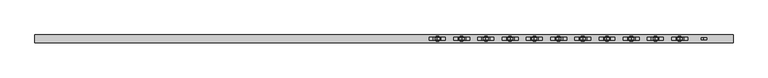
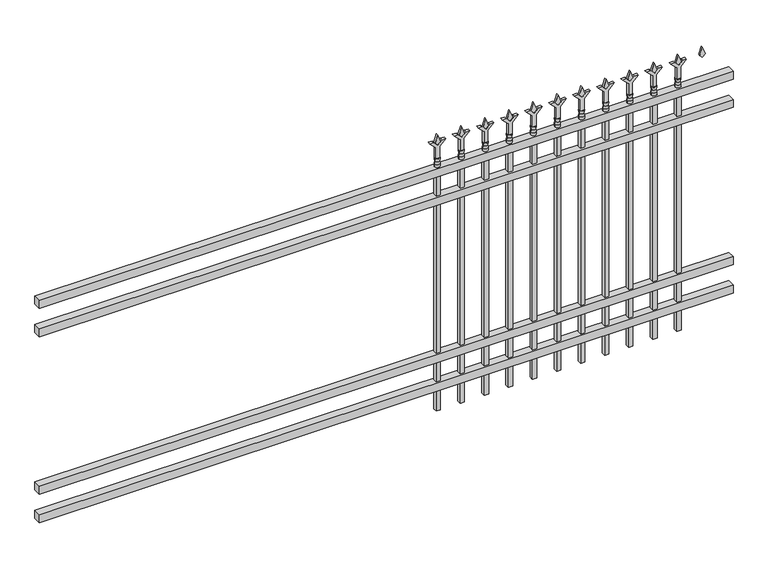
"""IFC4 building model written with IfcOpenShell, lengths in millimetres: railing geometry."""

from ifc_helpers import new_model, si_unit, frame, origin, place, context, project, spatial, polyline, circle_curve, outline, extrude, source, transform, mapped, element, save
from ifc_brep_helpers import plane_surface, cylinder_surface, revolved_surface, advanced_brep


def railing_56d29c50(model_context):
    return source(origin(), model_context, "Body", "SolidModel", [
        extrude(outline(polyline([(-73537.318087, -9187.1195174), (-73537.318087, -9152.1945174), (-70387.718087, -9152.1945174), (-70387.718087, -9187.1195174), (-73537.318087, -9187.1195174)])), frame((0.0, 0.0, 1181.1), z_axis=(0.0, 0.0, 1.0), x_axis=(1.0, 0.0, 0.0)), (0.0, 0.0, 1.0), 38.1),
        extrude(outline(polyline([(-73537.318087, -9187.1195174), (-73537.318087, -9152.1945174), (-70387.718087, -9152.1945174), (-70387.718087, -9187.1195174), (-73537.318087, -9187.1195174)])), frame((0.0, 0.0, 1044.575), z_axis=(0.0, 0.0, 1.0), x_axis=(1.0, 0.0, 0.0)), (0.0, 0.0, 1.0), 38.1),
        extrude(outline(polyline([(-73537.318087, -9187.1195174), (-73537.318087, -9152.1945174), (-70387.718087, -9152.1945174), (-70387.718087, -9187.1195174), (-73537.318087, -9187.1195174)])), frame((0.0, 0.0, 288.925), z_axis=(0.0, 0.0, 1.0), x_axis=(1.0, 0.0, 0.0)), (0.0, 0.0, 1.0), 38.1),
        extrude(outline(polyline([(-73537.318087, -9187.1195174), (-73537.318087, -9152.1945174), (-70387.718087, -9152.1945174), (-70387.718087, -9187.1195174), (-73537.318087, -9187.1195174)])), frame((0.0, 0.0, 152.4), z_axis=(0.0, 0.0, 1.0), x_axis=(1.0, 0.0, 0.0)), (0.0, 0.0, 1.0), 38.1),
        extrude(outline(polyline([(1335.88125, -70616.8472536), (1371.6, -70628.7535036), (1335.88125, -70640.6597536), (1323.975, -70628.7535036), (1335.88125, -70616.8472536)])), frame((0.0, -9174.4195174, 0.0), z_axis=(0.0, 1.0, 0.0), x_axis=(0.0, 0.0, 1.0)), (0.0, 0.0, 1.0), 9.525),
        extrude(outline(polyline([(1260.475, -70620.0222536), (1314.7457378, -70620.0222536), (1341.9355122, -70592.8324791), (1341.9355122, -70610.7929914), (1323.975, -70628.7535036), (1341.9355122, -70646.7140159), (1341.9355122, -70664.6745281), (1314.7457378, -70637.4847536), (1260.475, -70637.4847536), (1260.475, -70620.0222536)])), frame((0.0, -9176.0070174, 0.0), z_axis=(0.0, 1.0, 0.0), x_axis=(0.0, 0.0, 1.0)), (0.0, 0.0, 1.0), 12.7),
        advanced_brep(
        [(-70616.8472536, -9169.6570174, 1231.9), (-70640.6597536, -9169.6570174, 1231.9), (-70640.6597536, -9169.6570174, 1219.2), (-70616.8472536, -9169.6570174, 1219.2), (-70619.0525855, -9169.6570174, 1244.4070585), (-70638.4544218, -9169.6570174, 1244.4070585), (-70616.8472536, -9169.6570174, 1260.475), (-70640.6597536, -9169.6570174, 1260.475), (-70628.7535036, -9169.6570174, 1260.475), (-70628.7535036, -9169.6570174, 1219.2)],
        [
            (0, 1, circle_curve(frame((-70628.7535036, -9169.6570174, 1231.9), z_axis=(0.0, 0.0, -1.0), x_axis=(-1.0, 0.0, 0.0)), 11.90625)),
            (1, 2),
            (2, 3, circle_curve(frame((-70628.7535036, -9169.6570174, 1219.2), z_axis=(0.0, 0.0, 1.0), x_axis=(-1.0, 0.0, 0.0)), 11.90625)),
            (3, 0),
            (1, 0, circle_curve(frame((-70628.7535036, -9169.6570174, 1231.9), z_axis=(0.0, 0.0, -1.0), x_axis=(-1.0, 0.0, 0.0)), 11.90625)),
            (3, 2, circle_curve(frame((-70628.7535036, -9169.6570174, 1219.2), z_axis=(0.0, 0.0, 1.0), x_axis=(-1.0, 0.0, 0.0)), 11.90625)),
            (4, 5, circle_curve(frame((-70628.7535036, -9169.6570174, 1244.4070585), z_axis=(0.0, 0.0, -1.0), x_axis=(-1.0, 0.0, 0.0)), 9.7009181)),
            (5, 1),
            (0, 4),
            (5, 4, circle_curve(frame((-70628.7535036, -9169.6570174, 1244.4070585), z_axis=(0.0, 0.0, -1.0), x_axis=(-1.0, 0.0, 0.0)), 9.7009181)),
            (6, 7, circle_curve(frame((-70628.7535036, -9169.6570174, 1260.475), z_axis=(0.0, 0.0, -1.0), x_axis=(-1.0, 0.0, 0.0)), 11.90625)),
            (7, 5),
            (4, 6),
            (7, 6, circle_curve(frame((-70628.7535036, -9169.6570174, 1260.475), z_axis=(0.0, 0.0, -1.0), x_axis=(-1.0, 0.0, 0.0)), 11.90625)),
            (8, 7),
            (6, 8),
            (2, 9),
            (9, 3),
        ],
        [
            cylinder_surface(frame((-70628.7535036, -9169.6570174, 1219.2), z_axis=(0.0, 0.0, 1.0), x_axis=(-1.0, 0.0, 0.0)), 11.90625),
            revolved_surface(polyline([(-70640.6597536, -9169.6570174, 1231.9), (-70638.4544218, -9169.6570174, 1244.4070585)]), (-70628.7535036, -9169.6570174, 1219.2), (0.0, 0.0, 1.0)),
            revolved_surface(polyline([(-70638.4544218, -9169.6570174, 1244.4070585), (-70640.6597536, -9169.6570174, 1260.475)]), (-70628.7535036, -9169.6570174, 1219.2), (0.0, 0.0, 1.0)),
            plane_surface(frame((-70628.7535036, -9169.6570174, 1260.475), z_axis=(0.0, 0.0, 1.0), x_axis=(-1.0, 0.0, 0.0))),
            plane_surface(frame((-70628.7535036, -9169.6570174, 1219.2), z_axis=(0.0, 0.0, -1.0), x_axis=(-1.0, 0.0, 0.0))),
        ],
        [
            (0, [[1, 2, 3, 4]]),
            (0, [[5, -4, 6, -2]]),
            (1, [[7, 8, -1, 9]]),
            (1, [[10, -9, -5, -8]]),
            (2, [[11, 12, -7, 13]]),
            (2, [[14, -13, -10, -12]]),
            (3, [[15, -11, 16]]),
            (3, [[-16, -14, -15]]),
            (4, [[-3, 17, 18]]),
            (4, [[-6, -18, -17]]),
        ],
    ),
        extrude(outline(polyline([(-70638.2785036, -9160.1320174), (-70619.2285036, -9160.1320174), (-70619.2285036, -9179.1820174), (-70638.2785036, -9179.1820174), (-70638.2785036, -9160.1320174)])), frame((0.0, 0.0, 50.8), z_axis=(0.0, 0.0, 1.0), x_axis=(1.0, 0.0, 0.0)), (0.0, 0.0, 1.0), 1168.4),
        extrude(outline(polyline([(1335.88125, -70726.1201703), (1371.6, -70738.0264203), (1335.88125, -70749.9326703), (1323.975, -70738.0264203), (1335.88125, -70726.1201703)])), frame((0.0, -9174.4195174, 0.0), z_axis=(0.0, 1.0, 0.0), x_axis=(0.0, 0.0, 1.0)), (0.0, 0.0, 1.0), 9.525),
        extrude(outline(polyline([(1260.475, -70729.2951703), (1314.7457378, -70729.2951703), (1341.9355122, -70702.1053958), (1341.9355122, -70720.0659081), (1323.975, -70738.0264203), (1341.9355122, -70755.9869325), (1341.9355122, -70773.9474448), (1314.7457378, -70746.7576703), (1260.475, -70746.7576703), (1260.475, -70729.2951703)])), frame((0.0, -9176.0070174, 0.0), z_axis=(0.0, 1.0, 0.0), x_axis=(0.0, 0.0, 1.0)), (0.0, 0.0, 1.0), 12.7),
        advanced_brep(
        [(-70726.1201703, -9169.6570174, 1231.9), (-70749.9326703, -9169.6570174, 1231.9), (-70749.9326703, -9169.6570174, 1219.2), (-70726.1201703, -9169.6570174, 1219.2), (-70728.3255022, -9169.6570174, 1244.4070585), (-70747.7273384, -9169.6570174, 1244.4070585), (-70726.1201703, -9169.6570174, 1260.475), (-70749.9326703, -9169.6570174, 1260.475), (-70738.0264203, -9169.6570174, 1260.475), (-70738.0264203, -9169.6570174, 1219.2)],
        [
            (0, 1, circle_curve(frame((-70738.0264203, -9169.6570174, 1231.9), z_axis=(0.0, 0.0, -1.0), x_axis=(-1.0, 0.0, 0.0)), 11.90625)),
            (1, 2),
            (2, 3, circle_curve(frame((-70738.0264203, -9169.6570174, 1219.2), z_axis=(0.0, 0.0, 1.0), x_axis=(-1.0, 0.0, 0.0)), 11.90625)),
            (3, 0),
            (1, 0, circle_curve(frame((-70738.0264203, -9169.6570174, 1231.9), z_axis=(0.0, 0.0, -1.0), x_axis=(-1.0, 0.0, 0.0)), 11.90625)),
            (3, 2, circle_curve(frame((-70738.0264203, -9169.6570174, 1219.2), z_axis=(0.0, 0.0, 1.0), x_axis=(-1.0, 0.0, 0.0)), 11.90625)),
            (4, 5, circle_curve(frame((-70738.0264203, -9169.6570174, 1244.4070585), z_axis=(0.0, 0.0, -1.0), x_axis=(-1.0, 0.0, 0.0)), 9.7009181)),
            (5, 1),
            (0, 4),
            (5, 4, circle_curve(frame((-70738.0264203, -9169.6570174, 1244.4070585), z_axis=(0.0, 0.0, -1.0), x_axis=(-1.0, 0.0, 0.0)), 9.7009181)),
            (6, 7, circle_curve(frame((-70738.0264203, -9169.6570174, 1260.475), z_axis=(0.0, 0.0, -1.0), x_axis=(-1.0, 0.0, 0.0)), 11.90625)),
            (7, 5),
            (4, 6),
            (7, 6, circle_curve(frame((-70738.0264203, -9169.6570174, 1260.475), z_axis=(0.0, 0.0, -1.0), x_axis=(-1.0, 0.0, 0.0)), 11.90625)),
            (8, 7),
            (6, 8),
            (2, 9),
            (9, 3),
        ],
        [
            cylinder_surface(frame((-70738.0264203, -9169.6570174, 1219.2), z_axis=(0.0, 0.0, 1.0), x_axis=(-1.0, 0.0, 0.0)), 11.90625),
            revolved_surface(polyline([(-70749.9326703, -9169.6570174, 1231.9), (-70747.7273384, -9169.6570174, 1244.4070585)]), (-70738.0264203, -9169.6570174, 1219.2), (0.0, 0.0, 1.0)),
            revolved_surface(polyline([(-70747.7273384, -9169.6570174, 1244.4070585), (-70749.9326703, -9169.6570174, 1260.475)]), (-70738.0264203, -9169.6570174, 1219.2), (0.0, 0.0, 1.0)),
            plane_surface(frame((-70738.0264203, -9169.6570174, 1260.475), z_axis=(0.0, 0.0, 1.0), x_axis=(-1.0, 0.0, 0.0))),
            plane_surface(frame((-70738.0264203, -9169.6570174, 1219.2), z_axis=(0.0, 0.0, -1.0), x_axis=(-1.0, 0.0, 0.0))),
        ],
        [
            (0, [[1, 2, 3, 4]]),
            (0, [[5, -4, 6, -2]]),
            (1, [[7, 8, -1, 9]]),
            (1, [[10, -9, -5, -8]]),
            (2, [[11, 12, -7, 13]]),
            (2, [[14, -13, -10, -12]]),
            (3, [[15, -11, 16]]),
            (3, [[-16, -14, -15]]),
            (4, [[-3, 17, 18]]),
            (4, [[-6, -18, -17]]),
        ],
    ),
        extrude(outline(polyline([(-70747.5514203, -9160.1320174), (-70728.5014203, -9160.1320174), (-70728.5014203, -9179.1820174), (-70747.5514203, -9179.1820174), (-70747.5514203, -9160.1320174)])), frame((0.0, 0.0, 50.8), z_axis=(0.0, 0.0, 1.0), x_axis=(1.0, 0.0, 0.0)), (0.0, 0.0, 1.0), 1168.4),
        extrude(outline(polyline([(1335.88125, -70835.393087), (1371.6, -70847.299337), (1335.88125, -70859.205587), (1323.975, -70847.299337), (1335.88125, -70835.393087)])), frame((0.0, -9174.4195174, 0.0), z_axis=(0.0, 1.0, 0.0), x_axis=(0.0, 0.0, 1.0)), (0.0, 0.0, 1.0), 9.525),
        extrude(outline(polyline([(1260.475, -70838.568087), (1314.7457378, -70838.568087), (1341.9355122, -70811.3783125), (1341.9355122, -70829.3388247), (1323.975, -70847.299337), (1341.9355122, -70865.2598492), (1341.9355122, -70883.2203614), (1314.7457378, -70856.030587), (1260.475, -70856.030587), (1260.475, -70838.568087)])), frame((0.0, -9176.0070174, 0.0), z_axis=(0.0, 1.0, 0.0), x_axis=(0.0, 0.0, 1.0)), (0.0, 0.0, 1.0), 12.7),
        advanced_brep(
        [(-70835.393087, -9169.6570174, 1231.9), (-70859.205587, -9169.6570174, 1231.9), (-70859.205587, -9169.6570174, 1219.2), (-70835.393087, -9169.6570174, 1219.2), (-70837.5984188, -9169.6570174, 1244.4070585), (-70857.0002551, -9169.6570174, 1244.4070585), (-70835.393087, -9169.6570174, 1260.475), (-70859.205587, -9169.6570174, 1260.475), (-70847.299337, -9169.6570174, 1260.475), (-70847.299337, -9169.6570174, 1219.2)],
        [
            (0, 1, circle_curve(frame((-70847.299337, -9169.6570174, 1231.9), z_axis=(0.0, 0.0, -1.0), x_axis=(-1.0, 0.0, 0.0)), 11.90625)),
            (1, 2),
            (2, 3, circle_curve(frame((-70847.299337, -9169.6570174, 1219.2), z_axis=(0.0, 0.0, 1.0), x_axis=(-1.0, 0.0, 0.0)), 11.90625)),
            (3, 0),
            (1, 0, circle_curve(frame((-70847.299337, -9169.6570174, 1231.9), z_axis=(0.0, 0.0, -1.0), x_axis=(-1.0, 0.0, 0.0)), 11.90625)),
            (3, 2, circle_curve(frame((-70847.299337, -9169.6570174, 1219.2), z_axis=(0.0, 0.0, 1.0), x_axis=(-1.0, 0.0, 0.0)), 11.90625)),
            (4, 5, circle_curve(frame((-70847.299337, -9169.6570174, 1244.4070585), z_axis=(0.0, 0.0, -1.0), x_axis=(-1.0, 0.0, 0.0)), 9.7009181)),
            (5, 1),
            (0, 4),
            (5, 4, circle_curve(frame((-70847.299337, -9169.6570174, 1244.4070585), z_axis=(0.0, 0.0, -1.0), x_axis=(-1.0, 0.0, 0.0)), 9.7009181)),
            (6, 7, circle_curve(frame((-70847.299337, -9169.6570174, 1260.475), z_axis=(0.0, 0.0, -1.0), x_axis=(-1.0, 0.0, 0.0)), 11.90625)),
            (7, 5),
            (4, 6),
            (7, 6, circle_curve(frame((-70847.299337, -9169.6570174, 1260.475), z_axis=(0.0, 0.0, -1.0), x_axis=(-1.0, 0.0, 0.0)), 11.90625)),
            (8, 7),
            (6, 8),
            (2, 9),
            (9, 3),
        ],
        [
            cylinder_surface(frame((-70847.299337, -9169.6570174, 1219.2), z_axis=(0.0, 0.0, 1.0), x_axis=(-1.0, 0.0, 0.0)), 11.90625),
            revolved_surface(polyline([(-70859.205587, -9169.6570174, 1231.9), (-70857.0002551, -9169.6570174, 1244.4070585)]), (-70847.299337, -9169.6570174, 1219.2), (0.0, 0.0, 1.0)),
            revolved_surface(polyline([(-70857.0002551, -9169.6570174, 1244.4070585), (-70859.205587, -9169.6570174, 1260.475)]), (-70847.299337, -9169.6570174, 1219.2), (0.0, 0.0, 1.0)),
            plane_surface(frame((-70847.299337, -9169.6570174, 1260.475), z_axis=(0.0, 0.0, 1.0), x_axis=(-1.0, 0.0, 0.0))),
            plane_surface(frame((-70847.299337, -9169.6570174, 1219.2), z_axis=(0.0, 0.0, -1.0), x_axis=(-1.0, 0.0, 0.0))),
        ],
        [
            (0, [[1, 2, 3, 4]]),
            (0, [[5, -4, 6, -2]]),
            (1, [[7, 8, -1, 9]]),
            (1, [[10, -9, -5, -8]]),
            (2, [[11, 12, -7, 13]]),
            (2, [[14, -13, -10, -12]]),
            (3, [[15, -11, 16]]),
            (3, [[-16, -14, -15]]),
            (4, [[-3, 17, 18]]),
            (4, [[-6, -18, -17]]),
        ],
    ),
        extrude(outline(polyline([(-70856.824337, -9160.1320174), (-70837.774337, -9160.1320174), (-70837.774337, -9179.1820174), (-70856.824337, -9179.1820174), (-70856.824337, -9160.1320174)])), frame((0.0, 0.0, 50.8), z_axis=(0.0, 0.0, 1.0), x_axis=(1.0, 0.0, 0.0)), (0.0, 0.0, 1.0), 1168.4),
        extrude(outline(polyline([(1335.88125, -70944.6660036), (1371.6, -70956.5722536), (1335.88125, -70968.4785036), (1323.975, -70956.5722536), (1335.88125, -70944.6660036)])), frame((0.0, -9174.4195174, 0.0), z_axis=(0.0, 1.0, 0.0), x_axis=(0.0, 0.0, 1.0)), (0.0, 0.0, 1.0), 9.525),
        extrude(outline(polyline([(1260.475, -70947.8410036), (1314.7457378, -70947.8410036), (1341.9355122, -70920.6512291), (1341.9355122, -70938.6117414), (1323.975, -70956.5722536), (1341.9355122, -70974.5327659), (1341.9355122, -70992.4932781), (1314.7457378, -70965.3035036), (1260.475, -70965.3035036), (1260.475, -70947.8410036)])), frame((0.0, -9176.0070174, 0.0), z_axis=(0.0, 1.0, 0.0), x_axis=(0.0, 0.0, 1.0)), (0.0, 0.0, 1.0), 12.7),
        advanced_brep(
        [(-70944.6660036, -9169.6570174, 1231.9), (-70968.4785036, -9169.6570174, 1231.9), (-70968.4785036, -9169.6570174, 1219.2), (-70944.6660036, -9169.6570174, 1219.2), (-70946.8713355, -9169.6570174, 1244.4070585), (-70966.2731718, -9169.6570174, 1244.4070585), (-70944.6660036, -9169.6570174, 1260.475), (-70968.4785036, -9169.6570174, 1260.475), (-70956.5722536, -9169.6570174, 1260.475), (-70956.5722536, -9169.6570174, 1219.2)],
        [
            (0, 1, circle_curve(frame((-70956.5722536, -9169.6570174, 1231.9), z_axis=(0.0, 0.0, -1.0), x_axis=(-1.0, 0.0, 0.0)), 11.90625)),
            (1, 2),
            (2, 3, circle_curve(frame((-70956.5722536, -9169.6570174, 1219.2), z_axis=(0.0, 0.0, 1.0), x_axis=(-1.0, 0.0, 0.0)), 11.90625)),
            (3, 0),
            (1, 0, circle_curve(frame((-70956.5722536, -9169.6570174, 1231.9), z_axis=(0.0, 0.0, -1.0), x_axis=(-1.0, 0.0, 0.0)), 11.90625)),
            (3, 2, circle_curve(frame((-70956.5722536, -9169.6570174, 1219.2), z_axis=(0.0, 0.0, 1.0), x_axis=(-1.0, 0.0, 0.0)), 11.90625)),
            (4, 5, circle_curve(frame((-70956.5722536, -9169.6570174, 1244.4070585), z_axis=(0.0, 0.0, -1.0), x_axis=(-1.0, 0.0, 0.0)), 9.7009181)),
            (5, 1),
            (0, 4),
            (5, 4, circle_curve(frame((-70956.5722536, -9169.6570174, 1244.4070585), z_axis=(0.0, 0.0, -1.0), x_axis=(-1.0, 0.0, 0.0)), 9.7009181)),
            (6, 7, circle_curve(frame((-70956.5722536, -9169.6570174, 1260.475), z_axis=(0.0, 0.0, -1.0), x_axis=(-1.0, 0.0, 0.0)), 11.90625)),
            (7, 5),
            (4, 6),
            (7, 6, circle_curve(frame((-70956.5722536, -9169.6570174, 1260.475), z_axis=(0.0, 0.0, -1.0), x_axis=(-1.0, 0.0, 0.0)), 11.90625)),
            (8, 7),
            (6, 8),
            (2, 9),
            (9, 3),
        ],
        [
            cylinder_surface(frame((-70956.5722536, -9169.6570174, 1219.2), z_axis=(0.0, 0.0, 1.0), x_axis=(-1.0, 0.0, 0.0)), 11.90625),
            revolved_surface(polyline([(-70968.4785036, -9169.6570174, 1231.9), (-70966.2731718, -9169.6570174, 1244.4070585)]), (-70956.5722536, -9169.6570174, 1219.2), (0.0, 0.0, 1.0)),
            revolved_surface(polyline([(-70966.2731718, -9169.6570174, 1244.4070585), (-70968.4785036, -9169.6570174, 1260.475)]), (-70956.5722536, -9169.6570174, 1219.2), (0.0, 0.0, 1.0)),
            plane_surface(frame((-70956.5722536, -9169.6570174, 1260.475), z_axis=(0.0, 0.0, 1.0), x_axis=(-1.0, 0.0, 0.0))),
            plane_surface(frame((-70956.5722536, -9169.6570174, 1219.2), z_axis=(0.0, 0.0, -1.0), x_axis=(-1.0, 0.0, 0.0))),
        ],
        [
            (0, [[1, 2, 3, 4]]),
            (0, [[5, -4, 6, -2]]),
            (1, [[7, 8, -1, 9]]),
            (1, [[10, -9, -5, -8]]),
            (2, [[11, 12, -7, 13]]),
            (2, [[14, -13, -10, -12]]),
            (3, [[15, -11, 16]]),
            (3, [[-16, -14, -15]]),
            (4, [[-3, 17, 18]]),
            (4, [[-6, -18, -17]]),
        ],
    ),
        extrude(outline(polyline([(-70966.0972536, -9160.1320174), (-70947.0472536, -9160.1320174), (-70947.0472536, -9179.1820174), (-70966.0972536, -9179.1820174), (-70966.0972536, -9160.1320174)])), frame((0.0, 0.0, 50.8), z_axis=(0.0, 0.0, 1.0), x_axis=(1.0, 0.0, 0.0)), (0.0, 0.0, 1.0), 1168.4),
        extrude(outline(polyline([(1335.88125, -71053.9389203), (1371.6, -71065.8451703), (1335.88125, -71077.7514203), (1323.975, -71065.8451703), (1335.88125, -71053.9389203)])), frame((0.0, -9174.4195174, 0.0), z_axis=(0.0, 1.0, 0.0), x_axis=(0.0, 0.0, 1.0)), (0.0, 0.0, 1.0), 9.525),
        extrude(outline(polyline([(1260.475, -71057.1139203), (1314.7457378, -71057.1139203), (1341.9355122, -71029.9241458), (1341.9355122, -71047.8846581), (1323.975, -71065.8451703), (1341.9355122, -71083.8056825), (1341.9355122, -71101.7661948), (1314.7457378, -71074.5764203), (1260.475, -71074.5764203), (1260.475, -71057.1139203)])), frame((0.0, -9176.0070174, 0.0), z_axis=(0.0, 1.0, 0.0), x_axis=(0.0, 0.0, 1.0)), (0.0, 0.0, 1.0), 12.7),
        advanced_brep(
        [(-71053.9389203, -9169.6570174, 1231.9), (-71077.7514203, -9169.6570174, 1231.9), (-71077.7514203, -9169.6570174, 1219.2), (-71053.9389203, -9169.6570174, 1219.2), (-71056.1442522, -9169.6570174, 1244.4070585), (-71075.5460884, -9169.6570174, 1244.4070585), (-71053.9389203, -9169.6570174, 1260.475), (-71077.7514203, -9169.6570174, 1260.475), (-71065.8451703, -9169.6570174, 1260.475), (-71065.8451703, -9169.6570174, 1219.2)],
        [
            (0, 1, circle_curve(frame((-71065.8451703, -9169.6570174, 1231.9), z_axis=(0.0, 0.0, -1.0), x_axis=(-1.0, 0.0, 0.0)), 11.90625)),
            (1, 2),
            (2, 3, circle_curve(frame((-71065.8451703, -9169.6570174, 1219.2), z_axis=(0.0, 0.0, 1.0), x_axis=(-1.0, 0.0, 0.0)), 11.90625)),
            (3, 0),
            (1, 0, circle_curve(frame((-71065.8451703, -9169.6570174, 1231.9), z_axis=(0.0, 0.0, -1.0), x_axis=(-1.0, 0.0, 0.0)), 11.90625)),
            (3, 2, circle_curve(frame((-71065.8451703, -9169.6570174, 1219.2), z_axis=(0.0, 0.0, 1.0), x_axis=(-1.0, 0.0, 0.0)), 11.90625)),
            (4, 5, circle_curve(frame((-71065.8451703, -9169.6570174, 1244.4070585), z_axis=(0.0, 0.0, -1.0), x_axis=(-1.0, 0.0, 0.0)), 9.7009181)),
            (5, 1),
            (0, 4),
            (5, 4, circle_curve(frame((-71065.8451703, -9169.6570174, 1244.4070585), z_axis=(0.0, 0.0, -1.0), x_axis=(-1.0, 0.0, 0.0)), 9.7009181)),
            (6, 7, circle_curve(frame((-71065.8451703, -9169.6570174, 1260.475), z_axis=(0.0, 0.0, -1.0), x_axis=(-1.0, 0.0, 0.0)), 11.90625)),
            (7, 5),
            (4, 6),
            (7, 6, circle_curve(frame((-71065.8451703, -9169.6570174, 1260.475), z_axis=(0.0, 0.0, -1.0), x_axis=(-1.0, 0.0, 0.0)), 11.90625)),
            (8, 7),
            (6, 8),
            (2, 9),
            (9, 3),
        ],
        [
            cylinder_surface(frame((-71065.8451703, -9169.6570174, 1219.2), z_axis=(0.0, 0.0, 1.0), x_axis=(-1.0, 0.0, 0.0)), 11.90625),
            revolved_surface(polyline([(-71077.7514203, -9169.6570174, 1231.9), (-71075.5460884, -9169.6570174, 1244.4070585)]), (-71065.8451703, -9169.6570174, 1219.2), (0.0, 0.0, 1.0)),
            revolved_surface(polyline([(-71075.5460884, -9169.6570174, 1244.4070585), (-71077.7514203, -9169.6570174, 1260.475)]), (-71065.8451703, -9169.6570174, 1219.2), (0.0, 0.0, 1.0)),
            plane_surface(frame((-71065.8451703, -9169.6570174, 1260.475), z_axis=(0.0, 0.0, 1.0), x_axis=(-1.0, 0.0, 0.0))),
            plane_surface(frame((-71065.8451703, -9169.6570174, 1219.2), z_axis=(0.0, 0.0, -1.0), x_axis=(-1.0, 0.0, 0.0))),
        ],
        [
            (0, [[1, 2, 3, 4]]),
            (0, [[5, -4, 6, -2]]),
            (1, [[7, 8, -1, 9]]),
            (1, [[10, -9, -5, -8]]),
            (2, [[11, 12, -7, 13]]),
            (2, [[14, -13, -10, -12]]),
            (3, [[15, -11, 16]]),
            (3, [[-16, -14, -15]]),
            (4, [[-3, 17, 18]]),
            (4, [[-6, -18, -17]]),
        ],
    ),
        extrude(outline(polyline([(-71075.3701703, -9160.1320174), (-71056.3201703, -9160.1320174), (-71056.3201703, -9179.1820174), (-71075.3701703, -9179.1820174), (-71075.3701703, -9160.1320174)])), frame((0.0, 0.0, 50.8), z_axis=(0.0, 0.0, 1.0), x_axis=(1.0, 0.0, 0.0)), (0.0, 0.0, 1.0), 1168.4),
        extrude(outline(polyline([(1335.88125, -71163.211837), (1371.6, -71175.118087), (1335.88125, -71187.024337), (1323.975, -71175.118087), (1335.88125, -71163.211837)])), frame((0.0, -9174.4195174, 0.0), z_axis=(0.0, 1.0, 0.0), x_axis=(0.0, 0.0, 1.0)), (0.0, 0.0, 1.0), 9.525),
        extrude(outline(polyline([(1260.475, -71166.386837), (1314.7457378, -71166.386837), (1341.9355122, -71139.1970625), (1341.9355122, -71157.1575747), (1323.975, -71175.118087), (1341.9355122, -71193.0785992), (1341.9355122, -71211.0391114), (1314.7457378, -71183.849337), (1260.475, -71183.849337), (1260.475, -71166.386837)])), frame((0.0, -9176.0070174, 0.0), z_axis=(0.0, 1.0, 0.0), x_axis=(0.0, 0.0, 1.0)), (0.0, 0.0, 1.0), 12.7),
        advanced_brep(
        [(-71163.211837, -9169.6570174, 1231.9), (-71187.024337, -9169.6570174, 1231.9), (-71187.024337, -9169.6570174, 1219.2), (-71163.211837, -9169.6570174, 1219.2), (-71165.4171688, -9169.6570174, 1244.4070585), (-71184.8190051, -9169.6570174, 1244.4070585), (-71163.211837, -9169.6570174, 1260.475), (-71187.024337, -9169.6570174, 1260.475), (-71175.118087, -9169.6570174, 1260.475), (-71175.118087, -9169.6570174, 1219.2)],
        [
            (0, 1, circle_curve(frame((-71175.118087, -9169.6570174, 1231.9), z_axis=(0.0, 0.0, -1.0), x_axis=(-1.0, 0.0, 0.0)), 11.90625)),
            (1, 2),
            (2, 3, circle_curve(frame((-71175.118087, -9169.6570174, 1219.2), z_axis=(0.0, 0.0, 1.0), x_axis=(-1.0, 0.0, 0.0)), 11.90625)),
            (3, 0),
            (1, 0, circle_curve(frame((-71175.118087, -9169.6570174, 1231.9), z_axis=(0.0, 0.0, -1.0), x_axis=(-1.0, 0.0, 0.0)), 11.90625)),
            (3, 2, circle_curve(frame((-71175.118087, -9169.6570174, 1219.2), z_axis=(0.0, 0.0, 1.0), x_axis=(-1.0, 0.0, 0.0)), 11.90625)),
            (4, 5, circle_curve(frame((-71175.118087, -9169.6570174, 1244.4070585), z_axis=(0.0, 0.0, -1.0), x_axis=(-1.0, 0.0, 0.0)), 9.7009181)),
            (5, 1),
            (0, 4),
            (5, 4, circle_curve(frame((-71175.118087, -9169.6570174, 1244.4070585), z_axis=(0.0, 0.0, -1.0), x_axis=(-1.0, 0.0, 0.0)), 9.7009181)),
            (6, 7, circle_curve(frame((-71175.118087, -9169.6570174, 1260.475), z_axis=(0.0, 0.0, -1.0), x_axis=(-1.0, 0.0, 0.0)), 11.90625)),
            (7, 5),
            (4, 6),
            (7, 6, circle_curve(frame((-71175.118087, -9169.6570174, 1260.475), z_axis=(0.0, 0.0, -1.0), x_axis=(-1.0, 0.0, 0.0)), 11.90625)),
            (8, 7),
            (6, 8),
            (2, 9),
            (9, 3),
        ],
        [
            cylinder_surface(frame((-71175.118087, -9169.6570174, 1219.2), z_axis=(0.0, 0.0, 1.0), x_axis=(-1.0, 0.0, 0.0)), 11.90625),
            revolved_surface(polyline([(-71187.024337, -9169.6570174, 1231.9), (-71184.8190051, -9169.6570174, 1244.4070585)]), (-71175.118087, -9169.6570174, 1219.2), (0.0, 0.0, 1.0)),
            revolved_surface(polyline([(-71184.8190051, -9169.6570174, 1244.4070585), (-71187.024337, -9169.6570174, 1260.475)]), (-71175.118087, -9169.6570174, 1219.2), (0.0, 0.0, 1.0)),
            plane_surface(frame((-71175.118087, -9169.6570174, 1260.475), z_axis=(0.0, 0.0, 1.0), x_axis=(-1.0, 0.0, 0.0))),
            plane_surface(frame((-71175.118087, -9169.6570174, 1219.2), z_axis=(0.0, 0.0, -1.0), x_axis=(-1.0, 0.0, 0.0))),
        ],
        [
            (0, [[1, 2, 3, 4]]),
            (0, [[5, -4, 6, -2]]),
            (1, [[7, 8, -1, 9]]),
            (1, [[10, -9, -5, -8]]),
            (2, [[11, 12, -7, 13]]),
            (2, [[14, -13, -10, -12]]),
            (3, [[15, -11, 16]]),
            (3, [[-16, -14, -15]]),
            (4, [[-3, 17, 18]]),
            (4, [[-6, -18, -17]]),
        ],
    ),
        extrude(outline(polyline([(-71184.643087, -9160.1320174), (-71165.593087, -9160.1320174), (-71165.593087, -9179.1820174), (-71184.643087, -9179.1820174), (-71184.643087, -9160.1320174)])), frame((0.0, 0.0, 50.8), z_axis=(0.0, 0.0, 1.0), x_axis=(1.0, 0.0, 0.0)), (0.0, 0.0, 1.0), 1168.4),
        extrude(outline(polyline([(1335.88125, -71272.4847536), (1371.6, -71284.3910036), (1335.88125, -71296.2972536), (1323.975, -71284.3910036), (1335.88125, -71272.4847536)])), frame((0.0, -9174.4195174, 0.0), z_axis=(0.0, 1.0, 0.0), x_axis=(0.0, 0.0, 1.0)), (0.0, 0.0, 1.0), 9.525),
        extrude(outline(polyline([(1260.475, -71275.6597536), (1314.7457378, -71275.6597536), (1341.9355122, -71248.4699791), (1341.9355122, -71266.4304914), (1323.975, -71284.3910036), (1341.9355122, -71302.3515159), (1341.9355122, -71320.3120281), (1314.7457378, -71293.1222536), (1260.475, -71293.1222536), (1260.475, -71275.6597536)])), frame((0.0, -9176.0070174, 0.0), z_axis=(0.0, 1.0, 0.0), x_axis=(0.0, 0.0, 1.0)), (0.0, 0.0, 1.0), 12.7),
        advanced_brep(
        [(-71272.4847536, -9169.6570174, 1231.9), (-71296.2972536, -9169.6570174, 1231.9), (-71296.2972536, -9169.6570174, 1219.2), (-71272.4847536, -9169.6570174, 1219.2), (-71274.6900855, -9169.6570174, 1244.4070585), (-71294.0919218, -9169.6570174, 1244.4070585), (-71272.4847536, -9169.6570174, 1260.475), (-71296.2972536, -9169.6570174, 1260.475), (-71284.3910036, -9169.6570174, 1260.475), (-71284.3910036, -9169.6570174, 1219.2)],
        [
            (0, 1, circle_curve(frame((-71284.3910036, -9169.6570174, 1231.9), z_axis=(0.0, 0.0, -1.0), x_axis=(-1.0, 0.0, 0.0)), 11.90625)),
            (1, 2),
            (2, 3, circle_curve(frame((-71284.3910036, -9169.6570174, 1219.2), z_axis=(0.0, 0.0, 1.0), x_axis=(-1.0, 0.0, 0.0)), 11.90625)),
            (3, 0),
            (1, 0, circle_curve(frame((-71284.3910036, -9169.6570174, 1231.9), z_axis=(0.0, 0.0, -1.0), x_axis=(-1.0, 0.0, 0.0)), 11.90625)),
            (3, 2, circle_curve(frame((-71284.3910036, -9169.6570174, 1219.2), z_axis=(0.0, 0.0, 1.0), x_axis=(-1.0, 0.0, 0.0)), 11.90625)),
            (4, 5, circle_curve(frame((-71284.3910036, -9169.6570174, 1244.4070585), z_axis=(0.0, 0.0, -1.0), x_axis=(-1.0, 0.0, 0.0)), 9.7009181)),
            (5, 1),
            (0, 4),
            (5, 4, circle_curve(frame((-71284.3910036, -9169.6570174, 1244.4070585), z_axis=(0.0, 0.0, -1.0), x_axis=(-1.0, 0.0, 0.0)), 9.7009181)),
            (6, 7, circle_curve(frame((-71284.3910036, -9169.6570174, 1260.475), z_axis=(0.0, 0.0, -1.0), x_axis=(-1.0, 0.0, 0.0)), 11.90625)),
            (7, 5),
            (4, 6),
            (7, 6, circle_curve(frame((-71284.3910036, -9169.6570174, 1260.475), z_axis=(0.0, 0.0, -1.0), x_axis=(-1.0, 0.0, 0.0)), 11.90625)),
            (8, 7),
            (6, 8),
            (2, 9),
            (9, 3),
        ],
        [
            cylinder_surface(frame((-71284.3910036, -9169.6570174, 1219.2), z_axis=(0.0, 0.0, 1.0), x_axis=(-1.0, 0.0, 0.0)), 11.90625),
            revolved_surface(polyline([(-71296.2972536, -9169.6570174, 1231.9), (-71294.0919218, -9169.6570174, 1244.4070585)]), (-71284.3910036, -9169.6570174, 1219.2), (0.0, 0.0, 1.0)),
            revolved_surface(polyline([(-71294.0919218, -9169.6570174, 1244.4070585), (-71296.2972536, -9169.6570174, 1260.475)]), (-71284.3910036, -9169.6570174, 1219.2), (0.0, 0.0, 1.0)),
            plane_surface(frame((-71284.3910036, -9169.6570174, 1260.475), z_axis=(0.0, 0.0, 1.0), x_axis=(-1.0, 0.0, 0.0))),
            plane_surface(frame((-71284.3910036, -9169.6570174, 1219.2), z_axis=(0.0, 0.0, -1.0), x_axis=(-1.0, 0.0, 0.0))),
        ],
        [
            (0, [[1, 2, 3, 4]]),
            (0, [[5, -4, 6, -2]]),
            (1, [[7, 8, -1, 9]]),
            (1, [[10, -9, -5, -8]]),
            (2, [[11, 12, -7, 13]]),
            (2, [[14, -13, -10, -12]]),
            (3, [[15, -11, 16]]),
            (3, [[-16, -14, -15]]),
            (4, [[-3, 17, 18]]),
            (4, [[-6, -18, -17]]),
        ],
    ),
        extrude(outline(polyline([(-71293.9160036, -9160.1320174), (-71274.8660036, -9160.1320174), (-71274.8660036, -9179.1820174), (-71293.9160036, -9179.1820174), (-71293.9160036, -9160.1320174)])), frame((0.0, 0.0, 50.8), z_axis=(0.0, 0.0, 1.0), x_axis=(1.0, 0.0, 0.0)), (0.0, 0.0, 1.0), 1168.4),
        extrude(outline(polyline([(1335.88125, -71381.7576703), (1371.6, -71393.6639203), (1335.88125, -71405.5701703), (1323.975, -71393.6639203), (1335.88125, -71381.7576703)])), frame((0.0, -9174.4195174, 0.0), z_axis=(0.0, 1.0, 0.0), x_axis=(0.0, 0.0, 1.0)), (0.0, 0.0, 1.0), 9.525),
        extrude(outline(polyline([(1260.475, -71384.9326703), (1314.7457378, -71384.9326703), (1341.9355122, -71357.7428958), (1341.9355122, -71375.7034081), (1323.975, -71393.6639203), (1341.9355122, -71411.6244325), (1341.9355122, -71429.5849448), (1314.7457378, -71402.3951703), (1260.475, -71402.3951703), (1260.475, -71384.9326703)])), frame((0.0, -9176.0070174, 0.0), z_axis=(0.0, 1.0, 0.0), x_axis=(0.0, 0.0, 1.0)), (0.0, 0.0, 1.0), 12.7),
        advanced_brep(
        [(-71381.7576703, -9169.6570174, 1231.9), (-71405.5701703, -9169.6570174, 1231.9), (-71405.5701703, -9169.6570174, 1219.2), (-71381.7576703, -9169.6570174, 1219.2), (-71383.9630022, -9169.6570174, 1244.4070585), (-71403.3648384, -9169.6570174, 1244.4070585), (-71381.7576703, -9169.6570174, 1260.475), (-71405.5701703, -9169.6570174, 1260.475), (-71393.6639203, -9169.6570174, 1260.475), (-71393.6639203, -9169.6570174, 1219.2)],
        [
            (0, 1, circle_curve(frame((-71393.6639203, -9169.6570174, 1231.9), z_axis=(0.0, 0.0, -1.0), x_axis=(-1.0, 0.0, 0.0)), 11.90625)),
            (1, 2),
            (2, 3, circle_curve(frame((-71393.6639203, -9169.6570174, 1219.2), z_axis=(0.0, 0.0, 1.0), x_axis=(-1.0, 0.0, 0.0)), 11.90625)),
            (3, 0),
            (1, 0, circle_curve(frame((-71393.6639203, -9169.6570174, 1231.9), z_axis=(0.0, 0.0, -1.0), x_axis=(-1.0, 0.0, 0.0)), 11.90625)),
            (3, 2, circle_curve(frame((-71393.6639203, -9169.6570174, 1219.2), z_axis=(0.0, 0.0, 1.0), x_axis=(-1.0, 0.0, 0.0)), 11.90625)),
            (4, 5, circle_curve(frame((-71393.6639203, -9169.6570174, 1244.4070585), z_axis=(0.0, 0.0, -1.0), x_axis=(-1.0, 0.0, 0.0)), 9.7009181)),
            (5, 1),
            (0, 4),
            (5, 4, circle_curve(frame((-71393.6639203, -9169.6570174, 1244.4070585), z_axis=(0.0, 0.0, -1.0), x_axis=(-1.0, 0.0, 0.0)), 9.7009181)),
            (6, 7, circle_curve(frame((-71393.6639203, -9169.6570174, 1260.475), z_axis=(0.0, 0.0, -1.0), x_axis=(-1.0, 0.0, 0.0)), 11.90625)),
            (7, 5),
            (4, 6),
            (7, 6, circle_curve(frame((-71393.6639203, -9169.6570174, 1260.475), z_axis=(0.0, 0.0, -1.0), x_axis=(-1.0, 0.0, 0.0)), 11.90625)),
            (8, 7),
            (6, 8),
            (2, 9),
            (9, 3),
        ],
        [
            cylinder_surface(frame((-71393.6639203, -9169.6570174, 1219.2), z_axis=(0.0, 0.0, 1.0), x_axis=(-1.0, 0.0, 0.0)), 11.90625),
            revolved_surface(polyline([(-71405.5701703, -9169.6570174, 1231.9), (-71403.3648384, -9169.6570174, 1244.4070585)]), (-71393.6639203, -9169.6570174, 1219.2), (0.0, 0.0, 1.0)),
            revolved_surface(polyline([(-71403.3648384, -9169.6570174, 1244.4070585), (-71405.5701703, -9169.6570174, 1260.475)]), (-71393.6639203, -9169.6570174, 1219.2), (0.0, 0.0, 1.0)),
            plane_surface(frame((-71393.6639203, -9169.6570174, 1260.475), z_axis=(0.0, 0.0, 1.0), x_axis=(-1.0, 0.0, 0.0))),
            plane_surface(frame((-71393.6639203, -9169.6570174, 1219.2), z_axis=(0.0, 0.0, -1.0), x_axis=(-1.0, 0.0, 0.0))),
        ],
        [
            (0, [[1, 2, 3, 4]]),
            (0, [[5, -4, 6, -2]]),
            (1, [[7, 8, -1, 9]]),
            (1, [[10, -9, -5, -8]]),
            (2, [[11, 12, -7, 13]]),
            (2, [[14, -13, -10, -12]]),
            (3, [[15, -11, 16]]),
            (3, [[-16, -14, -15]]),
            (4, [[-3, 17, 18]]),
            (4, [[-6, -18, -17]]),
        ],
    ),
        extrude(outline(polyline([(-71403.1889203, -9160.1320174), (-71384.1389203, -9160.1320174), (-71384.1389203, -9179.1820174), (-71403.1889203, -9179.1820174), (-71403.1889203, -9160.1320174)])), frame((0.0, 0.0, 50.8), z_axis=(0.0, 0.0, 1.0), x_axis=(1.0, 0.0, 0.0)), (0.0, 0.0, 1.0), 1168.4),
        extrude(outline(polyline([(1335.88125, -71491.030587), (1371.6, -71502.936837), (1335.88125, -71514.843087), (1323.975, -71502.936837), (1335.88125, -71491.030587)])), frame((0.0, -9174.4195174, 0.0), z_axis=(0.0, 1.0, 0.0), x_axis=(0.0, 0.0, 1.0)), (0.0, 0.0, 1.0), 9.525),
        extrude(outline(polyline([(1260.475, -71494.205587), (1314.7457378, -71494.205587), (1341.9355122, -71467.0158125), (1341.9355122, -71484.9763247), (1323.975, -71502.936837), (1341.9355122, -71520.8973492), (1341.9355122, -71538.8578614), (1314.7457378, -71511.668087), (1260.475, -71511.668087), (1260.475, -71494.205587)])), frame((0.0, -9176.0070174, 0.0), z_axis=(0.0, 1.0, 0.0), x_axis=(0.0, 0.0, 1.0)), (0.0, 0.0, 1.0), 12.7),
        advanced_brep(
        [(-71491.030587, -9169.6570174, 1231.9), (-71514.843087, -9169.6570174, 1231.9), (-71514.843087, -9169.6570174, 1219.2), (-71491.030587, -9169.6570174, 1219.2), (-71493.2359188, -9169.6570174, 1244.4070585), (-71512.6377551, -9169.6570174, 1244.4070585), (-71491.030587, -9169.6570174, 1260.475), (-71514.843087, -9169.6570174, 1260.475), (-71502.936837, -9169.6570174, 1260.475), (-71502.936837, -9169.6570174, 1219.2)],
        [
            (0, 1, circle_curve(frame((-71502.936837, -9169.6570174, 1231.9), z_axis=(0.0, 0.0, -1.0), x_axis=(-1.0, 0.0, 0.0)), 11.90625)),
            (1, 2),
            (2, 3, circle_curve(frame((-71502.936837, -9169.6570174, 1219.2), z_axis=(0.0, 0.0, 1.0), x_axis=(-1.0, 0.0, 0.0)), 11.90625)),
            (3, 0),
            (1, 0, circle_curve(frame((-71502.936837, -9169.6570174, 1231.9), z_axis=(0.0, 0.0, -1.0), x_axis=(-1.0, 0.0, 0.0)), 11.90625)),
            (3, 2, circle_curve(frame((-71502.936837, -9169.6570174, 1219.2), z_axis=(0.0, 0.0, 1.0), x_axis=(-1.0, 0.0, 0.0)), 11.90625)),
            (4, 5, circle_curve(frame((-71502.936837, -9169.6570174, 1244.4070585), z_axis=(0.0, 0.0, -1.0), x_axis=(-1.0, 0.0, 0.0)), 9.7009181)),
            (5, 1),
            (0, 4),
            (5, 4, circle_curve(frame((-71502.936837, -9169.6570174, 1244.4070585), z_axis=(0.0, 0.0, -1.0), x_axis=(-1.0, 0.0, 0.0)), 9.7009181)),
            (6, 7, circle_curve(frame((-71502.936837, -9169.6570174, 1260.475), z_axis=(0.0, 0.0, -1.0), x_axis=(-1.0, 0.0, 0.0)), 11.90625)),
            (7, 5),
            (4, 6),
            (7, 6, circle_curve(frame((-71502.936837, -9169.6570174, 1260.475), z_axis=(0.0, 0.0, -1.0), x_axis=(-1.0, 0.0, 0.0)), 11.90625)),
            (8, 7),
            (6, 8),
            (2, 9),
            (9, 3),
        ],
        [
            cylinder_surface(frame((-71502.936837, -9169.6570174, 1219.2), z_axis=(0.0, 0.0, 1.0), x_axis=(-1.0, 0.0, 0.0)), 11.90625),
            revolved_surface(polyline([(-71514.843087, -9169.6570174, 1231.9), (-71512.6377551, -9169.6570174, 1244.4070585)]), (-71502.936837, -9169.6570174, 1219.2), (0.0, 0.0, 1.0)),
            revolved_surface(polyline([(-71512.6377551, -9169.6570174, 1244.4070585), (-71514.843087, -9169.6570174, 1260.475)]), (-71502.936837, -9169.6570174, 1219.2), (0.0, 0.0, 1.0)),
            plane_surface(frame((-71502.936837, -9169.6570174, 1260.475), z_axis=(0.0, 0.0, 1.0), x_axis=(-1.0, 0.0, 0.0))),
            plane_surface(frame((-71502.936837, -9169.6570174, 1219.2), z_axis=(0.0, 0.0, -1.0), x_axis=(-1.0, 0.0, 0.0))),
        ],
        [
            (0, [[1, 2, 3, 4]]),
            (0, [[5, -4, 6, -2]]),
            (1, [[7, 8, -1, 9]]),
            (1, [[10, -9, -5, -8]]),
            (2, [[11, 12, -7, 13]]),
            (2, [[14, -13, -10, -12]]),
            (3, [[15, -11, 16]]),
            (3, [[-16, -14, -15]]),
            (4, [[-3, 17, 18]]),
            (4, [[-6, -18, -17]]),
        ],
    ),
        extrude(outline(polyline([(-71512.461837, -9160.1320174), (-71493.411837, -9160.1320174), (-71493.411837, -9179.1820174), (-71512.461837, -9179.1820174), (-71512.461837, -9160.1320174)])), frame((0.0, 0.0, 50.8), z_axis=(0.0, 0.0, 1.0), x_axis=(1.0, 0.0, 0.0)), (0.0, 0.0, 1.0), 1168.4),
        extrude(outline(polyline([(1335.88125, -71600.3035036), (1371.6, -71612.2097536), (1335.88125, -71624.1160036), (1323.975, -71612.2097536), (1335.88125, -71600.3035036)])), frame((0.0, -9174.4195174, 0.0), z_axis=(0.0, 1.0, 0.0), x_axis=(0.0, 0.0, 1.0)), (0.0, 0.0, 1.0), 9.525),
        extrude(outline(polyline([(1260.475, -71603.4785036), (1314.7457378, -71603.4785036), (1341.9355122, -71576.2887291), (1341.9355122, -71594.2492414), (1323.975, -71612.2097536), (1341.9355122, -71630.1702659), (1341.9355122, -71648.1307781), (1314.7457378, -71620.9410036), (1260.475, -71620.9410036), (1260.475, -71603.4785036)])), frame((0.0, -9176.0070174, 0.0), z_axis=(0.0, 1.0, 0.0), x_axis=(0.0, 0.0, 1.0)), (0.0, 0.0, 1.0), 12.7),
        advanced_brep(
        [(-71600.3035036, -9169.6570174, 1231.9), (-71624.1160036, -9169.6570174, 1231.9), (-71624.1160036, -9169.6570174, 1219.2), (-71600.3035036, -9169.6570174, 1219.2), (-71602.5088355, -9169.6570174, 1244.4070585), (-71621.9106718, -9169.6570174, 1244.4070585), (-71600.3035036, -9169.6570174, 1260.475), (-71624.1160036, -9169.6570174, 1260.475), (-71612.2097536, -9169.6570174, 1260.475), (-71612.2097536, -9169.6570174, 1219.2)],
        [
            (0, 1, circle_curve(frame((-71612.2097536, -9169.6570174, 1231.9), z_axis=(0.0, 0.0, -1.0), x_axis=(-1.0, 0.0, 0.0)), 11.90625)),
            (1, 2),
            (2, 3, circle_curve(frame((-71612.2097536, -9169.6570174, 1219.2), z_axis=(0.0, 0.0, 1.0), x_axis=(-1.0, 0.0, 0.0)), 11.90625)),
            (3, 0),
            (1, 0, circle_curve(frame((-71612.2097536, -9169.6570174, 1231.9), z_axis=(0.0, 0.0, -1.0), x_axis=(-1.0, 0.0, 0.0)), 11.90625)),
            (3, 2, circle_curve(frame((-71612.2097536, -9169.6570174, 1219.2), z_axis=(0.0, 0.0, 1.0), x_axis=(-1.0, 0.0, 0.0)), 11.90625)),
            (4, 5, circle_curve(frame((-71612.2097536, -9169.6570174, 1244.4070585), z_axis=(0.0, 0.0, -1.0), x_axis=(-1.0, 0.0, 0.0)), 9.7009181)),
            (5, 1),
            (0, 4),
            (5, 4, circle_curve(frame((-71612.2097536, -9169.6570174, 1244.4070585), z_axis=(0.0, 0.0, -1.0), x_axis=(-1.0, 0.0, 0.0)), 9.7009181)),
            (6, 7, circle_curve(frame((-71612.2097536, -9169.6570174, 1260.475), z_axis=(0.0, 0.0, -1.0), x_axis=(-1.0, 0.0, 0.0)), 11.90625)),
            (7, 5),
            (4, 6),
            (7, 6, circle_curve(frame((-71612.2097536, -9169.6570174, 1260.475), z_axis=(0.0, 0.0, -1.0), x_axis=(-1.0, 0.0, 0.0)), 11.90625)),
            (8, 7),
            (6, 8),
            (2, 9),
            (9, 3),
        ],
        [
            cylinder_surface(frame((-71612.2097536, -9169.6570174, 1219.2), z_axis=(0.0, 0.0, 1.0), x_axis=(-1.0, 0.0, 0.0)), 11.90625),
            revolved_surface(polyline([(-71624.1160036, -9169.6570174, 1231.9), (-71621.9106718, -9169.6570174, 1244.4070585)]), (-71612.2097536, -9169.6570174, 1219.2), (0.0, 0.0, 1.0)),
            revolved_surface(polyline([(-71621.9106718, -9169.6570174, 1244.4070585), (-71624.1160036, -9169.6570174, 1260.475)]), (-71612.2097536, -9169.6570174, 1219.2), (0.0, 0.0, 1.0)),
            plane_surface(frame((-71612.2097536, -9169.6570174, 1260.475), z_axis=(0.0, 0.0, 1.0), x_axis=(-1.0, 0.0, 0.0))),
            plane_surface(frame((-71612.2097536, -9169.6570174, 1219.2), z_axis=(0.0, 0.0, -1.0), x_axis=(-1.0, 0.0, 0.0))),
        ],
        [
            (0, [[1, 2, 3, 4]]),
            (0, [[5, -4, 6, -2]]),
            (1, [[7, 8, -1, 9]]),
            (1, [[10, -9, -5, -8]]),
            (2, [[11, 12, -7, 13]]),
            (2, [[14, -13, -10, -12]]),
            (3, [[15, -11, 16]]),
            (3, [[-16, -14, -15]]),
            (4, [[-3, 17, 18]]),
            (4, [[-6, -18, -17]]),
        ],
    ),
        extrude(outline(polyline([(-71621.7347536, -9160.1320174), (-71602.6847536, -9160.1320174), (-71602.6847536, -9179.1820174), (-71621.7347536, -9179.1820174), (-71621.7347536, -9160.1320174)])), frame((0.0, 0.0, 50.8), z_axis=(0.0, 0.0, 1.0), x_axis=(1.0, 0.0, 0.0)), (0.0, 0.0, 1.0), 1168.4),
        extrude(outline(polyline([(1335.88125, -71709.5764203), (1371.6, -71721.4826703), (1335.88125, -71733.3889203), (1323.975, -71721.4826703), (1335.88125, -71709.5764203)])), frame((0.0, -9174.4195174, 0.0), z_axis=(0.0, 1.0, 0.0), x_axis=(0.0, 0.0, 1.0)), (0.0, 0.0, 1.0), 9.525),
        extrude(outline(polyline([(1260.475, -71712.7514203), (1314.7457378, -71712.7514203), (1341.9355122, -71685.5616458), (1341.9355122, -71703.5221581), (1323.975, -71721.4826703), (1341.9355122, -71739.4431825), (1341.9355122, -71757.4036948), (1314.7457378, -71730.2139203), (1260.475, -71730.2139203), (1260.475, -71712.7514203)])), frame((0.0, -9176.0070174, 0.0), z_axis=(0.0, 1.0, 0.0), x_axis=(0.0, 0.0, 1.0)), (0.0, 0.0, 1.0), 12.7),
        advanced_brep(
        [(-71709.5764203, -9169.6570174, 1231.9), (-71733.3889203, -9169.6570174, 1231.9), (-71733.3889203, -9169.6570174, 1219.2), (-71709.5764203, -9169.6570174, 1219.2), (-71711.7817522, -9169.6570174, 1244.4070585), (-71731.1835884, -9169.6570174, 1244.4070585), (-71709.5764203, -9169.6570174, 1260.475), (-71733.3889203, -9169.6570174, 1260.475), (-71721.4826703, -9169.6570174, 1260.475), (-71721.4826703, -9169.6570174, 1219.2)],
        [
            (0, 1, circle_curve(frame((-71721.4826703, -9169.6570174, 1231.9), z_axis=(0.0, 0.0, -1.0), x_axis=(-1.0, 0.0, 0.0)), 11.90625)),
            (1, 2),
            (2, 3, circle_curve(frame((-71721.4826703, -9169.6570174, 1219.2), z_axis=(0.0, 0.0, 1.0), x_axis=(-1.0, 0.0, 0.0)), 11.90625)),
            (3, 0),
            (1, 0, circle_curve(frame((-71721.4826703, -9169.6570174, 1231.9), z_axis=(0.0, 0.0, -1.0), x_axis=(-1.0, 0.0, 0.0)), 11.90625)),
            (3, 2, circle_curve(frame((-71721.4826703, -9169.6570174, 1219.2), z_axis=(0.0, 0.0, 1.0), x_axis=(-1.0, 0.0, 0.0)), 11.90625)),
            (4, 5, circle_curve(frame((-71721.4826703, -9169.6570174, 1244.4070585), z_axis=(0.0, 0.0, -1.0), x_axis=(-1.0, 0.0, 0.0)), 9.7009181)),
            (5, 1),
            (0, 4),
            (5, 4, circle_curve(frame((-71721.4826703, -9169.6570174, 1244.4070585), z_axis=(0.0, 0.0, -1.0), x_axis=(-1.0, 0.0, 0.0)), 9.7009181)),
            (6, 7, circle_curve(frame((-71721.4826703, -9169.6570174, 1260.475), z_axis=(0.0, 0.0, -1.0), x_axis=(-1.0, 0.0, 0.0)), 11.90625)),
            (7, 5),
            (4, 6),
            (7, 6, circle_curve(frame((-71721.4826703, -9169.6570174, 1260.475), z_axis=(0.0, 0.0, -1.0), x_axis=(-1.0, 0.0, 0.0)), 11.90625)),
            (8, 7),
            (6, 8),
            (2, 9),
            (9, 3),
        ],
        [
            cylinder_surface(frame((-71721.4826703, -9169.6570174, 1219.2), z_axis=(0.0, 0.0, 1.0), x_axis=(-1.0, 0.0, 0.0)), 11.90625),
            revolved_surface(polyline([(-71733.3889203, -9169.6570174, 1231.9), (-71731.1835884, -9169.6570174, 1244.4070585)]), (-71721.4826703, -9169.6570174, 1219.2), (0.0, 0.0, 1.0)),
            revolved_surface(polyline([(-71731.1835884, -9169.6570174, 1244.4070585), (-71733.3889203, -9169.6570174, 1260.475)]), (-71721.4826703, -9169.6570174, 1219.2), (0.0, 0.0, 1.0)),
            plane_surface(frame((-71721.4826703, -9169.6570174, 1260.475), z_axis=(0.0, 0.0, 1.0), x_axis=(-1.0, 0.0, 0.0))),
            plane_surface(frame((-71721.4826703, -9169.6570174, 1219.2), z_axis=(0.0, 0.0, -1.0), x_axis=(-1.0, 0.0, 0.0))),
        ],
        [
            (0, [[1, 2, 3, 4]]),
            (0, [[5, -4, 6, -2]]),
            (1, [[7, 8, -1, 9]]),
            (1, [[10, -9, -5, -8]]),
            (2, [[11, 12, -7, 13]]),
            (2, [[14, -13, -10, -12]]),
            (3, [[15, -11, 16]]),
            (3, [[-16, -14, -15]]),
            (4, [[-3, 17, 18]]),
            (4, [[-6, -18, -17]]),
        ],
    ),
        extrude(outline(polyline([(-71731.0076703, -9160.1320174), (-71711.9576703, -9160.1320174), (-71711.9576703, -9179.1820174), (-71731.0076703, -9179.1820174), (-71731.0076703, -9160.1320174)])), frame((0.0, 0.0, 50.8), z_axis=(0.0, 0.0, 1.0), x_axis=(1.0, 0.0, 0.0)), (0.0, 0.0, 1.0), 1168.4),
        extrude(outline(polyline([(1335.88125, -70507.574337), (1371.6, -70519.480587), (1335.88125, -70531.386837), (1323.975, -70519.480587), (1335.88125, -70507.574337)])), frame((0.0, -9174.4195174, 0.0), z_axis=(0.0, 1.0, 0.0), x_axis=(0.0, 0.0, 1.0)), (0.0, 0.0, 1.0), 9.525),
    ])


if __name__ == "__main__":
    model = new_model("IFC4")
    model_context = context("Model", 3, world=origin())
    ifc_project = project(units=[si_unit("LENGTHUNIT", "METRE", prefix="MILLI")], contexts=[model_context])
    site = spatial("IfcSite", under=ifc_project)
    building = spatial("IfcBuilding", under=site)
    placement = place(None, origin())
    railing_shape = railing_56d29c50(model_context)
    element("IfcRailing", 1, at=placement, inside=building, context=model_context, shape_type="MappedRepresentation", body=[
        mapped(railing_shape, transform((0.0, 0.0, 0.0), x_axis=(1.0, 0.0, 0.0), y_axis=(0.0, 1.0, 0.0), z_axis=(0.0, 0.0, 1.0))),
    ])
    save(model, "model.ifc")
